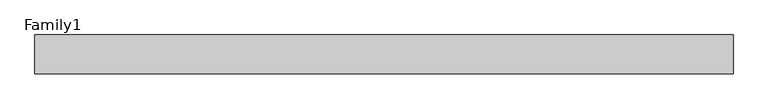
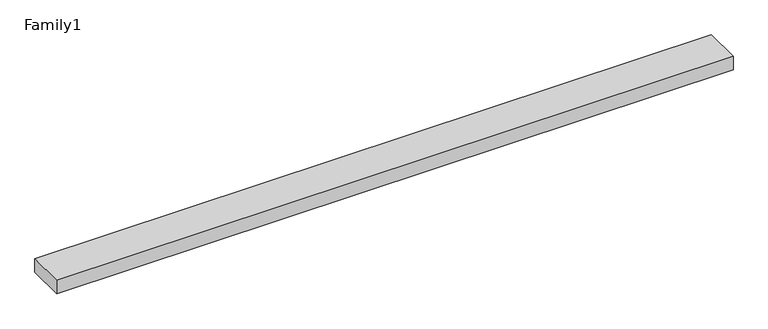
"""IFC4 building model written with IfcOpenShell, lengths in millimetres: proxy geometry, Family1."""

from ifc_helpers import new_model, si_unit, origin, origin_with_axes, place, context, project, spatial, polyline, outline, extrude, source, transform, mapped, element, save


def family1_c3999248(model_context):
    return source(origin(), model_context, "Body", "SweptSolid", [
        extrude(outline(polyline([(90000.0, 0.0), (0.0, 0.0), (0.0, 5000.0), (90000.0, 5000.0), (90000.0, 0.0)])), origin_with_axes(), (0.0, 0.0, 1.0), 1897.0),
    ])


if __name__ == "__main__":
    model = new_model("IFC4")
    model_context = context("Model", 3, world=origin())
    ifc_project = project(units=[si_unit("LENGTHUNIT", "METRE", prefix="MILLI")], contexts=[model_context])
    site = spatial("IfcSite", under=ifc_project)
    building = spatial("IfcBuilding", under=site)
    placement = place(None, origin())
    family1_shape = family1_c3999248(model_context)
    element("IfcBuildingElementProxy", 1, Name="Family1", ObjectType="Family1", at=placement, inside=building, context=model_context, shape_type="MappedRepresentation", body=[
        mapped(family1_shape, transform((0.0, 0.0, 0.0), x_axis=(1.0, 0.0, 0.0), y_axis=(0.0, 1.0, 0.0), z_axis=(0.0, 0.0, 1.0))),
    ])
    save(model, "model.ifc")
